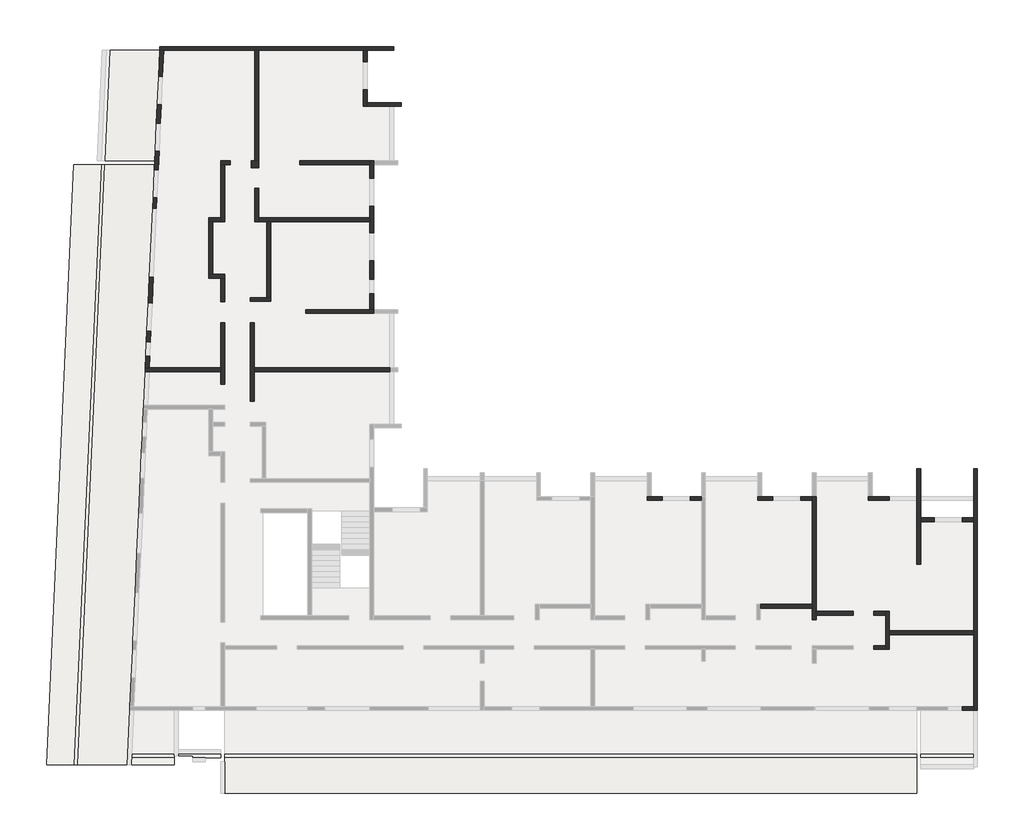
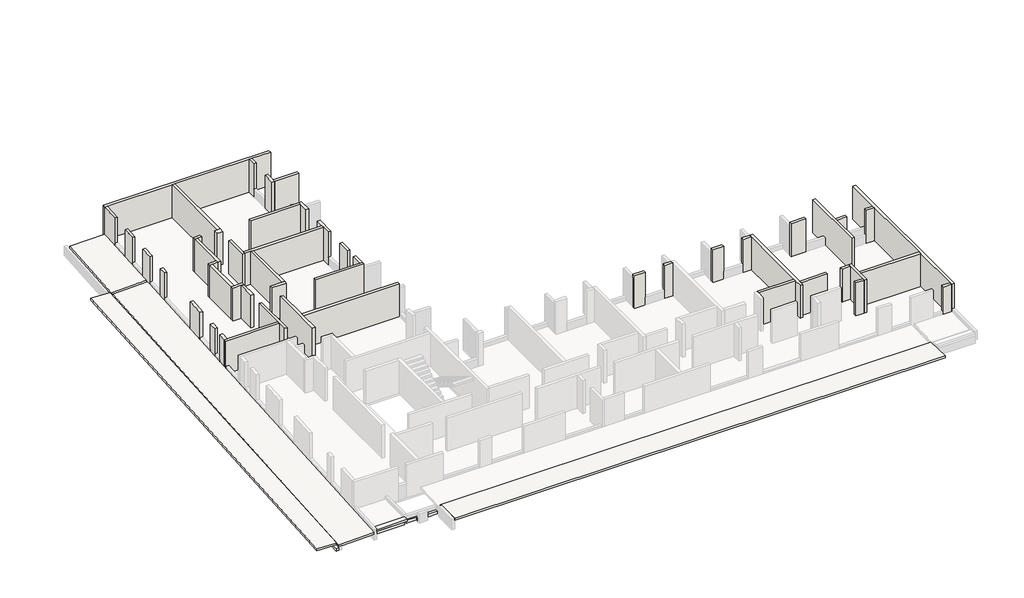
# One storey, part 2 of 4: 50 walls, 6 slabs.
"""IFC4 building model written with IfcOpenShell, lengths in millimetres."""

import ifcopenshell
import ifcopenshell.guid

model = None  # the IFC model being written
_history = None  # IfcOwnerHistory: only IFC2X3 demands one
_inside = {}  # id of a spatial element -> (the spatial element, [elements in it])
_under = {}  # id of a project, library or spatial element -> (it, [spatial elements below it])
_declared = {}  # id of a project -> (the project, [libraries it declares])
_typed = {}  # id of a type object -> (the type object, [elements of that type])
_made_of = {}  # id of a material, layer set ... -> (it, [elements and type objects made of it])


def new_model(schema):
    """Start an empty IFC model of exactly this schema.

    Asked for "IFC4X3", IfcOpenShell would pick the latest addendum, in which some entities
    have other attributes; the version numbers below select the first issue.
    IFC2X3 requires an IfcOwnerHistory on every rooted entity: one is made here for all.
    """
    global model, _history
    if schema == "IFC4X3":
        model = ifcopenshell.file(schema_version=(4, 3, 0, 0))
    else:
        model = ifcopenshell.file(schema=schema)
    _inside.clear()
    _under.clear()
    _declared.clear()
    _typed.clear()
    _made_of.clear()
    _history = None
    if model.schema == "IFC2X3":
        org = make("IfcOrganization", Name="unknown")
        user = make(
            "IfcPersonAndOrganization",
            ThePerson=make("IfcPerson", FamilyName="unknown"),
            TheOrganization=org,
        )
        app = make(
            "IfcApplication",
            ApplicationDeveloper=org,
            Version="unknown",
            ApplicationFullName="unknown",
            ApplicationIdentifier="unknown",
        )
        _history = make(
            "IfcOwnerHistory",
            OwningUser=user,
            OwningApplication=app,
            ChangeAction="ADDED",
            CreationDate=0,
        )
    return model


def make(cls, **values):
    """One entity of the class cls with the attributes given. An attribute that is None is left unset."""
    return model.create_entity(
        cls, **{name: value for name, value in values.items() if value is not None}
    )


def rooted(cls, **values):
    """An entity with a GlobalId (a new one), such as an element, a storey or a relation."""
    return make(cls, GlobalId=ifcopenshell.guid.new(), OwnerHistory=_history, **values)


def si_unit(unit_type, name, prefix=None):
    """IfcSIUnit, for example si_unit("LENGTHUNIT", "METRE", prefix="MILLI")."""
    return make("IfcSIUnit", UnitType=unit_type, Prefix=prefix, Name=name)


def assignment(units):
    """IfcUnitAssignment: the units of a project."""
    return None if units is None else make("IfcUnitAssignment", Units=units)


def point(xyz):
    """IfcCartesianPoint."""
    return None if xyz is None else make("IfcCartesianPoint", Coordinates=xyz)


def direction(xyz):
    """IfcDirection."""
    return None if xyz is None else make("IfcDirection", DirectionRatios=xyz)


def frame(location, z_axis=None, x_axis=None):
    """IfcAxis2Placement3D, a coordinate frame: its origin and axes. An axis left out is left unset."""
    return make(
        "IfcAxis2Placement3D",
        Location=point(location),
        Axis=direction(z_axis),
        RefDirection=direction(x_axis),
    )


def origin():
    """The frame at (0, 0, 0) with its axes left unset."""
    return frame((0.0, 0.0, 0.0))


def place(relative_to, where):
    """IfcLocalPlacement: puts the frame where relative to a parent placement (None: the world)."""
    return make(
        "IfcLocalPlacement", PlacementRelTo=relative_to, RelativePlacement=where
    )


def context(
    kind, dimensions, precision=None, world=None, true_north=None, identifier=None
):
    """IfcGeometricRepresentationContext, for example the 3D "Model" context."""
    return make(
        "IfcGeometricRepresentationContext",
        ContextIdentifier=identifier,
        ContextType=kind,
        CoordinateSpaceDimension=dimensions,
        Precision=precision,
        WorldCoordinateSystem=world,
        TrueNorth=true_north,
    )


def project(units=None, contexts=None):
    """IfcProject with its units and contexts."""
    return rooted(
        "IfcProject",
        Name="project",
        RepresentationContexts=contexts,
        UnitsInContext=assignment(units),
    )


def spatial(cls, under=None, at=None, **own):
    """A site, building, storey or space (cls), placed at a placement, below another one or the project."""
    s = rooted(cls, ObjectPlacement=at, **own)
    if under is not None:
        _under.setdefault(under.id(), (under, []))[1].append(s)
    return s


def polyline(points):
    """IfcPolyline through the points."""
    return make("IfcPolyline", Points=[point(p) for p in points])


def outline(outer, holes=None, kind="AREA"):
    """IfcArbitraryClosedProfileDef: a profile drawn as a closed curve; with holes, ...WithVoids."""
    if holes is None:
        return make("IfcArbitraryClosedProfileDef", ProfileType=kind, OuterCurve=outer)
    return make(
        "IfcArbitraryProfileDefWithVoids",
        ProfileType=kind,
        OuterCurve=outer,
        InnerCurves=holes,
    )


def extrude(swept, where, along, depth):
    """IfcExtrudedAreaSolid: the profile swept, set in the frame where, extruded along a direction by depth."""
    return make(
        "IfcExtrudedAreaSolid",
        SweptArea=swept,
        Position=where,
        ExtrudedDirection=direction(along),
        Depth=depth,
    )


def faces_of(points, faces, orient=None, outer=None):
    """IfcFace entities. A face is a list of loops; a loop is a list of indices into points, from 0.

    orient and outer hold one flag for each loop. By default every Orientation is true, the
    first loop of a face is its IfcFaceOuterBound and the others are IfcFaceBound.
    """
    made = []
    for i, loops in enumerate(faces):
        bounds = []
        for j, loop in enumerate(loops):
            is_outer = j == 0 if outer is None else outer[i][j]
            bounds.append(
                make(
                    "IfcFaceOuterBound" if is_outer else "IfcFaceBound",
                    Bound=make("IfcPolyLoop", Polygon=[points[k] for k in loop]),
                    Orientation=True if orient is None else orient[i][j],
                )
            )
        made.append(make("IfcFace", Bounds=bounds))
    return made


def faceted_brep(points, faces, orient=None, outer=None, voids=None):
    """IfcFacetedBrep: a solid bounded by flat faces; with voids (closed shells), ...WithVoids."""
    shared = [point(p) for p in points]
    hull = make("IfcClosedShell", CfsFaces=faces_of(shared, faces, orient, outer))
    if voids is None:
        return make("IfcFacetedBrep", Outer=hull)
    return make(
        "IfcFacetedBrepWithVoids",
        Outer=hull,
        Voids=[
            make(cls, CfsFaces=faces_of(shared, fs, o, b)) for cls, fs, o, b in voids
        ],
    )


def shape(context_of_items, identifier, shape_type, items):
    """IfcShapeRepresentation: the items that make up one representation, for example the "Body"."""
    return make(
        "IfcShapeRepresentation",
        ContextOfItems=context_of_items,
        RepresentationIdentifier=identifier,
        RepresentationType=shape_type,
        Items=items,
    )


def made_of(thing, what):
    """Note that an element or type object is made of a material, layer set ...; save() writes the relation."""
    if what is not None:
        _made_of.setdefault(what.id(), (what, []))[1].append(thing)
    return thing


def element(
    cls,
    number,
    at=None,
    inside=None,
    cuts=None,
    type_object=None,
    material=None,
    context=None,
    identifier="Body",
    shape_type=None,
    held_by="IfcProductDefinitionShape",
    body=None,
    shapes=None,
    **own,
):
    """One element of the class cls, such as IfcWall. Its Tag is "e" and its number.

    at: its placement. inside: the storey or other place that contains it. cuts: it is an
    opening in that element (IfcRelVoidsElement). A single representation is given by context,
    identifier, shape_type and body (its items); several are given by shapes. held_by: the class
    of the entity that holds the representations. save() writes the other relations.
    """
    e = rooted(cls, Tag="e%d" % number, ObjectPlacement=at, **own)
    if body is not None:
        shapes = [shape(context, identifier, shape_type, body)]
    if shapes is not None:
        e.Representation = make(held_by, Representations=shapes)
    if inside is not None:
        _inside.setdefault(inside.id(), (inside, []))[1].append(e)
    if cuts is not None:
        rooted(
            "IfcRelVoidsElement", RelatingBuildingElement=cuts, RelatedOpeningElement=e
        )
    if type_object is not None:
        _typed.setdefault(type_object.id(), (type_object, []))[1].append(e)
    return made_of(e, material)


def aggregate(whole, parts):
    """IfcRelAggregates: a whole, such as a stair, and the parts it consists of."""
    return rooted("IfcRelAggregates", RelatingObject=whole, RelatedObjects=parts)


def save(model, path):
    """Write the relations noted so far, then the file.

    IfcRelAggregates (storeys below a building ...), IfcRelContainedInSpatialStructure (elements
    in a storey), IfcRelDefinesByType, IfcRelAssociatesMaterial and IfcRelDeclares: one each for
    every whole, place, type object, material and project.
    """
    for whole, parts in _under.values():
        aggregate(whole, parts)
    for where, things in _inside.values():
        rooted(
            "IfcRelContainedInSpatialStructure",
            RelatedElements=things,
            RelatingStructure=where,
        )
    for kind, things in _typed.values():
        rooted("IfcRelDefinesByType", RelatedObjects=things, RelatingType=kind)
    for what, things in _made_of.values():
        rooted("IfcRelAssociatesMaterial", RelatedObjects=things, RelatingMaterial=what)
    for by, libraries in _declared.values():
        rooted("IfcRelDeclares", RelatingContext=by, RelatedDefinitions=libraries)
    model.write(path)


model = new_model("IFC4")

# Units and contexts
model_context = context("Model", 3, world=origin())
ifc_project = project(units=[si_unit("LENGTHUNIT", "METRE", prefix="MILLI")], contexts=[model_context])

# Site, building, storey
site = spatial("IfcSite", under=ifc_project)
building = spatial("IfcBuilding", under=site)
storey = spatial("IfcBuildingStorey", under=building, Elevation=17350.0)

# Slabs
placement = place(None, origin())
element("IfcSlab", 1, ObjectType="LHA15", at=placement, inside=storey, context=model_context, shape_type="Brep", body=[
    faceted_brep([(-43088.4832977, 11650.9327501, 17793.8824341), (-44488.8981404, -19219.0672499, 17793.8824341), (-44689.1038321, -19219.0672499, 17801.8024341), (-45890.3379827, -19219.0672499, 17849.3224341), (-44489.92314, 11650.9327501, 17849.3224341), (-43288.6889895, 11650.9327501, 17801.8024341), (-43088.4832977, 11650.9327501, 17944.0), (-43113.7617942, 11650.9327501, 17945.0), (-44489.92314, 11650.9327501, 17999.44), (-45890.3379827, -19219.0672499, 17999.44), (-44514.1766368, -19219.0672499, 17945.0), (-44488.8981404, -19219.0672499, 17944.0)], [[[0, 1, 2, 3, 4, 5]], [[6, 7, 8, 9, 10, 11]], [[1, 0, 6, 11]], [[3, 2, 1, 11, 10, 9]], [[4, 3, 9, 8]], [[0, 5, 4, 8, 7, 6]]]),
])
element("IfcSlab", 2, ObjectType="LHA15", at=placement, inside=storey, context=model_context, shape_type="Brep", body=[
    faceted_brep([(-41535.864187, -19219.0672499, 17789.680048), (-41528.1521519, -19049.0672499, 17782.880048), (-41519.0791695, -18849.0672499, 17774.880048), (-39315.6912908, -18849.0672499, 17774.880048), (-39315.6912908, -19049.0672499, 17782.880048), (-39315.6912908, -19219.0672499, 17789.680048), (-41535.864187, -19219.0672499, 17939.8), (-39315.6912908, -19219.0672499, 17939.8), (-39315.6912908, -18849.0672499, 17925.0), (-41519.0791695, -18849.0672499, 17925.0)], [[[0, 1, 2, 3, 4, 5]], [[6, 7, 8, 9]], [[2, 1, 0, 6, 9]], [[3, 2, 9, 8]], [[5, 4, 3, 8, 7]], [[0, 5, 7, 6]]]),
])
element("IfcSlab", 3, ObjectType="LHA15", at=placement, inside=storey, context=model_context, shape_type="Brep", body=[
    faceted_brep([(-40335.6550361, 11650.9327501, 17650.970003), (-41609.0481243, -16419.0672499, 17650.970003), (-41736.0698788, -19219.0672499, 17650.970003), (-44088.4867569, -19219.0672499, 17603.970003), (-44288.6924486, -19219.0672499, 17599.970003), (-42888.277606, 11650.9327501, 17599.970003), (-42688.0719142, 11650.9327501, 17603.970003), (-40335.6550361, 11650.9327501, 17801.0), (-42888.277606, 11650.9327501, 17750.0), (-44288.6924486, -19219.0672499, 17750.0), (-41736.0698788, -19219.0672499, 17801.0), (-41609.0481243, -16419.0672499, 17801.0)], [[[0, 1, 2, 3, 4, 5, 6]], [[7, 8, 9, 10, 11]], [[1, 0, 7, 11]], [[2, 1, 11, 10]], [[4, 3, 2, 10, 9]], [[5, 4, 9, 8]], [[0, 6, 5, 8, 7]]]),
    faceted_brep([(-42621.5319217, 17530.9327501, 17599.970003), (-42421.3262299, 17530.9327501, 17603.970003), (-40068.9093518, 17530.9327501, 17650.970003), (-40326.5820536, 11850.9327501, 17650.970003), (-42678.9989318, 11850.9327501, 17603.970003), (-42879.2046235, 11850.9327501, 17599.970003), (-42621.5319217, 17530.9327501, 17750.0), (-42879.2046235, 11850.9327501, 17750.0), (-40326.5820536, 11850.9327501, 17801.0), (-40068.9093518, 17530.9327501, 17801.0)], [[[0, 1, 2, 3, 4, 5]], [[6, 7, 8, 9]], [[2, 1, 0, 6, 9]], [[3, 2, 9, 8]], [[5, 4, 3, 8, 7]], [[0, 5, 7, 6]]]),
])
element("IfcSlab", 4, ObjectType="LHA15", at=placement, inside=storey, context=model_context, shape_type="SweptSolid", body=[
    extrude(outline(polyline([(-18849.0672499, 17774.8739779), (-20669.0672499, 17849.4939779), (-20669.0672499, 17999.62), (-18849.0672499, 17925.0), (-18849.0672499, 17774.8739779)])), frame((-36735.6912908, 0.0, 0.0), z_axis=(1.0, 0.0, 0.0), x_axis=(0.0, 1.0, 0.0)), (0.0, 0.0, 1.0), 35610.0),
])
element("IfcSlab", 5, ObjectType="LHA20", at=placement, inside=storey, context=model_context, shape_type="Brep", body=[
    faceted_brep([(-43088.4832977, 11650.9327501, 17300.0), (-42888.277606, 11650.9327501, 17300.0), (-43020.7431499, 8730.9327501, 17300.0), (-43047.054799, 8150.9327501, 17300.0), (-43112.3802727, 6710.9327501, 17300.0), (-43135.6912908, 6197.0770657, 17300.0), (-43226.2462026, 4200.9327501, 17300.0), (-43235.3191851, 4000.9327501, 17300.0), (-44288.6924486, -19219.0672499, 17300.0), (-44488.8981404, -19219.0672499, 17300.0), (-43829.7459647, -4689.0672499, 17300.0), (-43820.6729822, -4489.0672499, 17300.0), (-43571.6196137, 1000.9327501, 17300.0), (-43562.5466312, 1200.9327501, 17300.0), (-43435.5248768, 4000.9327501, 17300.0), (-43426.4518943, 4200.9327501, 17300.0), (-43088.4832977, 11650.9327501, 17500.0), (-44488.8981404, -19219.0672499, 17500.0), (-44288.6924486, -19219.0672499, 17500.0), (-42888.277606, 11650.9327501, 17500.0)], [[[0, 1, 2, 3, 4, 5, 6, 7, 8, 9, 10, 11, 12, 13, 14, 15]], [[16, 17, 18, 19]], [[1, 0, 16, 19]], [[8, 7, 6, 5, 4, 3, 2, 1, 19, 18]], [[9, 8, 18, 17]], [[0, 15, 14, 13, 12, 11, 10, 9, 17, 16]]]),
])
element("IfcSlab", 6, ObjectType="LHA20", at=placement, inside=storey, context=model_context, shape_type="Brep", body=[
    faceted_brep([(-39115.6912908, -18649.0672499, 17300.0), (-36935.6912908, -18649.0672499, 17300.0), (-36935.6912908, -18849.0672499, 17300.0), (-38375.6912908, -18849.0672499, 17300.0), (-38375.6912908, -18749.0672499, 17300.0), (-39115.6912908, -18749.0672499, 17300.0), (-39115.6912908, -18649.0672499, 17500.0), (-39115.6912908, -18749.0672499, 17500.0), (-38375.6912908, -18749.0672499, 17500.0), (-38375.6912908, -18849.0672499, 17500.0), (-36935.6912908, -18849.0672499, 17500.0), (-36935.6912908, -18649.0672499, 17500.0), (-39115.6912908, -18649.0672499, 17325.0), (-36935.6912908, -18649.0672499, 17325.0)], [[[0, 1, 2, 3, 4, 5]], [[6, 7, 8, 9, 10, 11]], [[1, 0, 12, 6, 11, 13]], [[2, 1, 13, 11, 10]], [[3, 2, 10, 9]], [[4, 3, 9, 8]], [[5, 4, 8, 7]], [[0, 5, 7, 6, 12]]]),
    faceted_brep([(-1125.6912908, -18649.0672499, 17300.0), (-1125.6912908, -18849.0672499, 17300.0), (-6305.6912908, -18849.0672499, 17300.0), (-6505.6912908, -18849.0672499, 17300.0), (-11995.6912908, -18849.0672499, 17300.0), (-12195.6912908, -18849.0672499, 17300.0), (-17685.6912908, -18849.0672499, 17300.0), (-17885.6912908, -18849.0672499, 17300.0), (-23375.6912908, -18849.0672499, 17300.0), (-23575.6912908, -18849.0672499, 17300.0), (-29065.6912908, -18849.0672499, 17300.0), (-29265.6912908, -18849.0672499, 17300.0), (-31985.6912908, -18849.0672499, 17300.0), (-32185.6912908, -18849.0672499, 17300.0), (-36735.6912908, -18849.0672499, 17300.0), (-36735.6912908, -18649.0672499, 17300.0), (-32185.6912908, -18649.0672499, 17300.0), (-31985.6912908, -18649.0672499, 17300.0), (-29265.6912908, -18649.0672499, 17300.0), (-29065.6912908, -18649.0672499, 17300.0), (-23575.6912908, -18649.0672499, 17300.0), (-23375.6912908, -18649.0672499, 17300.0), (-17885.6912908, -18649.0672499, 17300.0), (-17685.6912908, -18649.0672499, 17300.0), (-12195.6912908, -18649.0672499, 17300.0), (-11995.6912908, -18649.0672499, 17300.0), (-6505.6912908, -18649.0672499, 17300.0), (-6305.6912908, -18649.0672499, 17300.0), (-1125.6912908, -18649.0672499, 17500.0), (-36735.6912908, -18649.0672499, 17500.0), (-36735.6912908, -18849.0672499, 17500.0), (-1125.6912908, -18849.0672499, 17500.0)], [[[0, 1, 2, 3, 4, 5, 6, 7, 8, 9, 10, 11, 12, 13, 14, 15, 16, 17, 18, 19, 20, 21, 22, 23, 24, 25, 26, 27]], [[28, 29, 30, 31]], [[1, 0, 28, 31]], [[14, 13, 12, 11, 10, 9, 8, 7, 6, 5, 4, 3, 2, 1, 31, 30]], [[15, 14, 30, 29]], [[0, 27, 26, 25, 24, 23, 22, 21, 20, 19, 18, 17, 16, 15, 29, 28]]]),
    faceted_brep([(1794.3087092, -18649.0672499, 17300.0), (1794.3087092, -18849.0672499, 17300.0), (-925.6912908, -18849.0672499, 17300.0), (-925.6912908, -18649.0672499, 17300.0), (1794.3087092, -18649.0672499, 17500.0), (-925.6912908, -18649.0672499, 17500.0), (-925.6912908, -18849.0672499, 17500.0), (1794.3087092, -18849.0672499, 17500.0)], [[[0, 1, 2, 3]], [[4, 5, 6, 7]], [[1, 0, 4, 7]], [[2, 1, 7, 6]], [[3, 2, 6, 5]], [[0, 3, 5, 4]]]),
    faceted_brep([(-41510.006187, -18649.0672499, 17300.0), (-39315.6912908, -18649.0672499, 17300.0), (-39315.6912908, -18849.0672499, 17300.0), (-41519.0791695, -18849.0672499, 17300.0), (-41510.006187, -18649.0672499, 17500.0), (-41519.0791695, -18849.0672499, 17500.0), (-39315.6912908, -18849.0672499, 17500.0), (-39315.6912908, -18649.0672499, 17500.0)], [[[0, 1, 2, 3]], [[4, 5, 6, 7]], [[1, 0, 4, 7]], [[2, 1, 7, 6]], [[3, 2, 6, 5]], [[0, 3, 5, 4]]]),
])

# Walls
element("IfcWall", 7, ObjectType="MHA20", at=placement, inside=storey, context=model_context, shape_type="Brep", body=[
    faceted_brep([(-2535.6912908, -13279.0672499, 17350.0), (-2535.6912908, -12519.0672499, 17350.0), (-2535.6912908, -12319.0672499, 17350.0), (-2535.6912908, -11329.0672499, 17350.0), (-2535.6912908, -11329.0672499, 19880.0), (-2535.6912908, -12319.0672499, 19880.0), (-2535.6912908, -12519.0672499, 19880.0), (-2535.6912908, -13279.0672499, 19880.0), (-2735.6912908, -13279.0672499, 17350.0), (-2735.6912908, -13279.0672499, 19880.0), (-2735.6912908, -13079.0672499, 19880.0), (-2735.6912908, -11529.0672499, 19880.0), (-2735.6912908, -11329.0672499, 19880.0), (-2735.6912908, -11329.0672499, 17350.0), (-2735.6912908, -11529.0672499, 17350.0), (-2735.6912908, -13079.0672499, 17350.0)], [[[0, 1, 2, 3, 4, 5, 6, 7]], [[8, 9, 10, 11, 12, 13, 14, 15]], [[3, 2, 1, 0, 8, 15, 14, 13]], [[7, 6, 5, 4, 12, 11, 10, 9]], [[4, 3, 13, 12]], [[0, 7, 9, 8]]]),
])
element("IfcWall", 8, ObjectType="MHA20", at=placement, inside=storey, context=model_context, shape_type="SweptSolid", body=[
    extrude(outline(polyline([(1794.3087092, -12519.0672499), (-2535.6912908, -12519.0672499), (-2535.6912908, -12319.0672499), (1794.3087092, -12319.0672499), (1794.3087092, -12519.0672499)])), frame((0.0, 0.0, 17350.0), z_axis=(0.0, 0.0, 1.0), x_axis=(1.0, 0.0, 0.0)), (0.0, 0.0, 1.0), 2530.0),
])
element("IfcWall", 9, ObjectType="MHA20", at=placement, inside=storey, context=model_context, shape_type="Brep", body=[
    faceted_brep([(1994.3087092, -16419.0672499, 17350.0), (1994.3087092, -3999.0672499, 17350.0), (1994.3087092, -3999.0672499, 19880.0), (1994.3087092, -16419.0672499, 19880.0), (1794.3087092, -16419.0672499, 17350.0), (1794.3087092, -16419.0672499, 19880.0), (1794.3087092, -16219.0672499, 19880.0), (1794.3087092, -12519.0672499, 19880.0), (1794.3087092, -12319.0672499, 19880.0), (1794.3087092, -6719.0672499, 19880.0), (1794.3087092, -6519.0672499, 19880.0), (1794.3087092, -3999.0672499, 19880.0), (1794.3087092, -3999.0672499, 17350.0), (1794.3087092, -6519.0672499, 17350.0), (1794.3087092, -6719.0672499, 17350.0), (1794.3087092, -12319.0672499, 17350.0), (1794.3087092, -12519.0672499, 17350.0), (1794.3087092, -16219.0672499, 17350.0)], [[[0, 1, 2, 3]], [[4, 5, 6, 7, 8, 9, 10, 11, 12, 13, 14, 15, 16, 17]], [[1, 0, 4, 17, 16, 15, 14, 13, 12]], [[2, 1, 12, 11]], [[3, 2, 11, 10, 9, 8, 7, 6, 5]], [[0, 3, 5, 4]]]),
])
element("IfcWall", 10, ObjectType="MHA20", at=placement, inside=storey, context=model_context, shape_type="SweptSolid", body=[
    extrude(outline(polyline([(-2735.6912908, -11529.0672499), (-3335.6912908, -11529.0672499), (-3335.6912908, -11329.0672499), (-2735.6912908, -11329.0672499), (-2735.6912908, -11529.0672499)])), frame((0.0, 0.0, 17350.0), z_axis=(0.0, 0.0, 1.0), x_axis=(1.0, 0.0, 0.0)), (0.0, 0.0, 1.0), 2530.0),
])
element("IfcWall", 11, ObjectType="MHA20", at=placement, inside=storey, context=model_context, shape_type="SweptSolid", body=[
    extrude(outline(polyline([(-2735.6912908, -13279.0672499), (-3335.6912908, -13279.0672499), (-3335.6912908, -13079.0672499), (-2735.6912908, -13079.0672499), (-2735.6912908, -13279.0672499)])), frame((0.0, 0.0, 17350.0), z_axis=(0.0, 0.0, 1.0), x_axis=(1.0, 0.0, 0.0)), (0.0, 0.0, 1.0), 2530.0),
])
element("IfcWall", 12, ObjectType="MHA20", at=placement, inside=storey, context=model_context, shape_type="SweptSolid", body=[
    extrude(outline(polyline([(-6305.6912908, -11329.0672499), (-4395.6912908, -11329.0672499), (-4395.6912908, -11529.0672499), (-6305.6912908, -11529.0672499), (-6305.6912908, -11329.0672499)])), frame((0.0, 0.0, 17350.0), z_axis=(0.0, 0.0, 1.0), x_axis=(1.0, 0.0, 0.0)), (0.0, 0.0, 1.0), 2530.0),
])
element("IfcWall", 13, ObjectType="MHA20", at=placement, inside=storey, context=model_context, shape_type="Brep", body=[
    faceted_brep([(-6305.6912908, -11759.0672499, 17350.0), (-6305.6912908, -11529.0672499, 17350.0), (-6305.6912908, -11329.0672499, 17350.0), (-6305.6912908, -5419.0672499, 17350.0), (-6305.6912908, -5419.0672499, 19580.0), (-6305.6912908, -5419.0672499, 19880.0), (-6305.6912908, -11329.0672499, 19880.0), (-6305.6912908, -11529.0672499, 19880.0), (-6305.6912908, -11759.0672499, 19880.0), (-6505.6912908, -11759.0672499, 17350.0), (-6505.6912908, -11759.0672499, 19880.0), (-6505.6912908, -11159.0672499, 19880.0), (-6505.6912908, -10959.0672499, 19880.0), (-6505.6912908, -5619.0672499, 19880.0), (-6505.6912908, -5419.0672499, 19880.0), (-6505.6912908, -5419.0672499, 19580.0), (-6505.6912908, -5419.0672499, 17350.0), (-6505.6912908, -5619.0672499, 17350.0), (-6505.6912908, -10959.0672499, 17350.0), (-6505.6912908, -11159.0672499, 17350.0)], [[[0, 1, 2, 3, 4, 5, 6, 7, 8]], [[9, 10, 11, 12, 13, 14, 15, 16, 17, 18, 19]], [[3, 2, 1, 0, 9, 19, 18, 17, 16]], [[8, 7, 6, 5, 14, 13, 12, 11, 10]], [[0, 8, 10, 9]], [[5, 4, 3, 16, 15, 14]]]),
])
element("IfcWall", 14, ObjectType="MHA20", at=placement, inside=storey, context=model_context, shape_type="SweptSolid", body=[
    extrude(outline(polyline([(-225.6912908, -6719.0672499), (-925.6912908, -6719.0672499), (-925.6912908, -6519.0672499), (-225.6912908, -6519.0672499), (-225.6912908, -6719.0672499)])), frame((0.0, 0.0, 17350.0), z_axis=(0.0, 0.0, 1.0), x_axis=(1.0, 0.0, 0.0)), (0.0, 0.0, 1.0), 2530.0),
])
element("IfcWall", 15, ObjectType="MHA20", at=placement, inside=storey, context=model_context, shape_type="SweptSolid", body=[
    extrude(outline(polyline([(1794.3087092, -6719.0672499), (1214.3087092, -6719.0672499), (1214.3087092, -6519.0672499), (1794.3087092, -6519.0672499), (1794.3087092, -6719.0672499)])), frame((0.0, 0.0, 17350.0), z_axis=(0.0, 0.0, 1.0), x_axis=(1.0, 0.0, 0.0)), (0.0, 0.0, 1.0), 2530.0),
])
element("IfcWall", 16, ObjectType="MHA20", at=placement, inside=storey, context=model_context, shape_type="Brep", body=[
    faceted_brep([(-1125.6912908, -3999.0672499, 17350.0), (-1125.6912908, -5419.0672499, 17350.0), (-1125.6912908, -5619.0672499, 17350.0), (-1125.6912908, -8899.0672499, 17350.0), (-1125.6912908, -8899.0672499, 19880.0), (-1125.6912908, -3999.0672499, 19880.0), (-925.6912908, -3999.0672499, 17350.0), (-925.6912908, -3999.0672499, 19880.0), (-925.6912908, -6519.0672499, 19880.0), (-925.6912908, -6719.0672499, 19880.0), (-925.6912908, -8899.0672499, 19880.0), (-925.6912908, -8899.0672499, 17350.0), (-925.6912908, -6719.0672499, 17350.0), (-925.6912908, -6519.0672499, 17350.0)], [[[0, 1, 2, 3, 4, 5]], [[6, 7, 8, 9, 10, 11, 12, 13]], [[3, 2, 1, 0, 6, 13, 12, 11]], [[4, 3, 11, 10]], [[5, 4, 10, 9, 8, 7]], [[0, 5, 7, 6]]]),
])
element("IfcWall", 17, ObjectType="MHA20", at=placement, inside=storey, context=model_context, shape_type="Brep", body=[
    faceted_brep([(-3615.6912908, -5619.0672499, 17350.0), (-2545.6912908, -5619.0672499, 17350.0), (-2545.6912908, -5619.0672499, 17950.0), (-2545.6912908, -5619.0672499, 19880.0), (-3615.6912908, -5619.0672499, 19880.0), (-3615.6912908, -5419.0672499, 17350.0), (-3615.6912908, -5419.0672499, 19580.0), (-3615.6912908, -5419.0672499, 19880.0), (-2545.6912908, -5419.0672499, 19880.0), (-2545.6912908, -5419.0672499, 17950.0), (-2545.6912908, -5419.0672499, 17350.0), (-3415.6912908, -5419.0672499, 17350.0)], [[[0, 1, 2, 3, 4]], [[5, 6, 7, 8, 9, 10, 11]], [[1, 0, 5, 11, 10]], [[3, 2, 1, 10, 9, 8]], [[4, 3, 8, 7]], [[0, 4, 7, 6, 5]]]),
])
element("IfcWall", 18, ObjectType="MHA20", at=placement, inside=storey, context=model_context, shape_type="Brep", body=[
    faceted_brep([(-9305.6912908, -5619.0672499, 17350.0), (-8525.6912908, -5619.0672499, 17350.0), (-8525.6912908, -5619.0672499, 17950.0), (-8525.6912908, -5619.0672499, 19880.0), (-9305.6912908, -5619.0672499, 19880.0), (-9305.6912908, -5419.0672499, 17350.0), (-9305.6912908, -5419.0672499, 19580.0), (-9305.6912908, -5419.0672499, 19880.0), (-8525.6912908, -5419.0672499, 19880.0), (-8525.6912908, -5419.0672499, 17950.0), (-8525.6912908, -5419.0672499, 17350.0), (-9105.6912908, -5419.0672499, 17350.0)], [[[0, 1, 2, 3, 4]], [[5, 6, 7, 8, 9, 10, 11]], [[1, 0, 5, 11, 10]], [[3, 2, 1, 10, 9, 8]], [[4, 3, 8, 7]], [[0, 4, 7, 6, 5]]]),
])
element("IfcWall", 19, ObjectType="MHA20", at=placement, inside=storey, context=model_context, shape_type="Brep", body=[
    faceted_brep([(-14995.6912908, -5619.0672499, 17350.0), (-14215.6912908, -5619.0672499, 17350.0), (-14215.6912908, -5619.0672499, 17950.0), (-14215.6912908, -5619.0672499, 19880.0), (-14995.6912908, -5619.0672499, 19880.0), (-14995.6912908, -5419.0672499, 17350.0), (-14995.6912908, -5419.0672499, 19580.0), (-14995.6912908, -5419.0672499, 19880.0), (-14215.6912908, -5419.0672499, 19880.0), (-14215.6912908, -5419.0672499, 17950.0), (-14215.6912908, -5419.0672499, 17350.0), (-14795.6912908, -5419.0672499, 17350.0)], [[[0, 1, 2, 3, 4]], [[5, 6, 7, 8, 9, 10, 11]], [[1, 0, 5, 11, 10]], [[3, 2, 1, 10, 9, 8]], [[4, 3, 8, 7]], [[0, 4, 7, 6, 5]]]),
])
element("IfcWall", 20, ObjectType="MHA20", at=placement, inside=storey, context=model_context, shape_type="Brep", body=[
    faceted_brep([(-12775.6912908, -5619.0672499, 17350.0), (-12195.6912908, -5619.0672499, 17350.0), (-12195.6912908, -5619.0672499, 19880.0), (-12775.6912908, -5619.0672499, 19880.0), (-12775.6912908, -5619.0672499, 17950.0), (-12775.6912908, -5419.0672499, 17350.0), (-12775.6912908, -5419.0672499, 17950.0), (-12775.6912908, -5419.0672499, 19880.0), (-12195.6912908, -5419.0672499, 19880.0), (-12195.6912908, -5419.0672499, 17350.0)], [[[0, 1, 2, 3, 4]], [[5, 6, 7, 8, 9]], [[1, 0, 5, 9]], [[3, 2, 8, 7]], [[0, 4, 3, 7, 6, 5]], [[2, 1, 9, 8]]]),
])
element("IfcWall", 21, ObjectType="MHA20", at=placement, inside=storey, context=model_context, shape_type="SweptSolid", body=[
    extrude(outline(polyline([(-6505.6912908, -11159.0672499), (-9170.6912908, -11159.0672499), (-9170.6912908, -10959.0672499), (-6505.6912908, -10959.0672499), (-6505.6912908, -11159.0672499)])), frame((0.0, 0.0, 17350.0), z_axis=(0.0, 0.0, 1.0), x_axis=(1.0, 0.0, 0.0)), (0.0, 0.0, 1.0), 2530.0),
])
element("IfcWall", 22, ObjectType="MHA20", at=placement, inside=storey, context=model_context, shape_type="Brep", body=[
    faceted_brep([(-35205.6912908, -509.0672499, 17350.0), (-35205.6912908, 1000.9327501, 17350.0), (-35205.6912908, 1200.9327501, 17350.0), (-35205.6912908, 3530.9327501, 17350.0), (-35205.6912908, 3530.9327501, 19880.0), (-35205.6912908, 1200.9327501, 19880.0), (-35205.6912908, 1000.9327501, 19880.0), (-35205.6912908, -509.0672499, 19880.0), (-35405.6912908, -509.0672499, 17350.0), (-35405.6912908, -509.0672499, 19880.0), (-35405.6912908, 3530.9327501, 19880.0), (-35405.6912908, 3530.9327501, 17350.0)], [[[0, 1, 2, 3, 4, 5, 6, 7]], [[8, 9, 10, 11]], [[3, 2, 1, 0, 8, 11]], [[4, 3, 11, 10]], [[7, 6, 5, 4, 10, 9]], [[0, 7, 9, 8]]]),
])
element("IfcWall", 23, ObjectType="MHA20", at=placement, inside=storey, context=model_context, shape_type="Brep", body=[
    faceted_brep([(-29395.6912908, 16950.9327501, 17350.0), (-29395.6912908, 17530.9327501, 17350.0), (-29395.6912908, 17530.9327501, 19880.0), (-29395.6912908, 16950.9327501, 19880.0), (-29395.6912908, 16950.9327501, 17950.0), (-29595.6912908, 16950.9327501, 17350.0), (-29595.6912908, 16950.9327501, 17950.0), (-29595.6912908, 16950.9327501, 19880.0), (-29595.6912908, 17530.9327501, 19880.0), (-29595.6912908, 17530.9327501, 17350.0)], [[[0, 1, 2, 3, 4]], [[5, 6, 7, 8, 9]], [[1, 0, 5, 9]], [[3, 2, 8, 7]], [[0, 4, 3, 7, 6, 5]], [[2, 1, 9, 8]]]),
])
element("IfcWall", 24, ObjectType="MHA20", at=placement, inside=storey, context=model_context, shape_type="Brep", body=[
    faceted_brep([(-40818.7913521, 1000.9327501, 17350.0), (-36935.6912908, 1000.9327501, 17350.0), (-36935.6912908, 1000.9327501, 19880.0), (-40818.7913521, 1000.9327501, 19880.0), (-40809.7183696, 1200.9327501, 17350.0), (-40809.7183696, 1200.9327501, 19880.0), (-40609.5126779, 1200.9327501, 19880.0), (-36935.6912908, 1200.9327501, 19880.0), (-36935.6912908, 1200.9327501, 17350.0), (-40609.5126779, 1200.9327501, 17350.0)], [[[0, 1, 2, 3]], [[4, 5, 6, 7, 8, 9]], [[1, 0, 4, 9, 8]], [[3, 2, 7, 6, 5]], [[2, 1, 8, 7]], [[0, 3, 5, 4]]]),
])
element("IfcWall", 25, ObjectType="MHA20", at=placement, inside=storey, context=model_context, shape_type="Brep", body=[
    faceted_brep([(-35205.6912908, 1000.9327501, 17350.0), (-28235.6912908, 1000.9327501, 17350.0), (-28235.6912908, 1000.9327501, 19580.0), (-28235.6912908, 1000.9327501, 19880.0), (-35205.6912908, 1000.9327501, 19880.0), (-35205.6912908, 1200.9327501, 17350.0), (-35205.6912908, 1200.9327501, 19880.0), (-28235.6912908, 1200.9327501, 19880.0), (-28235.6912908, 1200.9327501, 19580.0), (-28235.6912908, 1200.9327501, 17350.0)], [[[0, 1, 2, 3, 4]], [[5, 6, 7, 8, 9]], [[1, 0, 5, 9]], [[3, 2, 1, 9, 8, 7]], [[4, 3, 7, 6]], [[0, 4, 6, 5]]]),
])
element("IfcWall", 26, ObjectType="MHA20", at=placement, inside=storey, context=model_context, shape_type="Brep", body=[
    faceted_brep([(-35405.6912908, 4620.9327501, 17350.0), (-34355.6912908, 4620.9327501, 17350.0), (-34355.6912908, 4620.9327501, 19880.0), (-35405.6912908, 4620.9327501, 19880.0), (-35405.6912908, 4820.9327501, 17350.0), (-35405.6912908, 4820.9327501, 19880.0), (-34555.6912908, 4820.9327501, 19880.0), (-34355.6912908, 4820.9327501, 19880.0), (-34355.6912908, 4820.9327501, 17350.0), (-34555.6912908, 4820.9327501, 17350.0)], [[[0, 1, 2, 3]], [[4, 5, 6, 7, 8, 9]], [[1, 0, 4, 9, 8]], [[3, 2, 7, 6, 5]], [[0, 3, 5, 4]], [[2, 1, 8, 7]]]),
])
element("IfcWall", 27, ObjectType="MHA20", at=placement, inside=storey, context=model_context, shape_type="SweptSolid", body=[
    extrude(outline(polyline([(-34355.6912908, 8730.9327501), (-34355.6912908, 4820.9327501), (-34555.6912908, 4820.9327501), (-34555.6912908, 8730.9327501), (-34355.6912908, 8730.9327501)])), frame((0.0, 0.0, 17350.0), z_axis=(0.0, 0.0, 1.0), x_axis=(1.0, 0.0, 0.0)), (0.0, 0.0, 1.0), 2530.0),
])
element("IfcWall", 28, ObjectType="MHA20", at=placement, inside=storey, context=model_context, shape_type="Brep", body=[
    faceted_brep([(-29065.6912908, 4200.9327501, 17350.0), (-29065.6912908, 5020.9327501, 17350.0), (-29065.6912908, 5020.9327501, 17950.0), (-29065.6912908, 5020.9327501, 19880.0), (-29065.6912908, 4200.9327501, 19880.0), (-29265.6912908, 4200.9327501, 17350.0), (-29265.6912908, 4200.9327501, 19880.0), (-29265.6912908, 5020.9327501, 19880.0), (-29265.6912908, 5020.9327501, 17950.0), (-29265.6912908, 5020.9327501, 17350.0)], [[[0, 1, 2, 3, 4]], [[5, 6, 7, 8, 9]], [[1, 0, 5, 9]], [[3, 2, 1, 9, 8, 7]], [[4, 3, 7, 6]], [[0, 4, 6, 5]]]),
])
element("IfcWall", 29, ObjectType="MHA20", at=placement, inside=storey, context=model_context, shape_type="Brep", body=[
    faceted_brep([(-29065.6912908, 5760.9327501, 17350.0), (-29065.6912908, 6710.9327501, 17350.0), (-29065.6912908, 6710.9327501, 17950.0), (-29065.6912908, 6710.9327501, 19880.0), (-29065.6912908, 5760.9327501, 19880.0), (-29065.6912908, 5760.9327501, 17950.0), (-29265.6912908, 5760.9327501, 17350.0), (-29265.6912908, 5760.9327501, 17950.0), (-29265.6912908, 5760.9327501, 19880.0), (-29265.6912908, 6710.9327501, 19880.0), (-29265.6912908, 6710.9327501, 17950.0), (-29265.6912908, 6710.9327501, 17350.0)], [[[0, 1, 2, 3, 4, 5]], [[6, 7, 8, 9, 10, 11]], [[1, 0, 6, 11]], [[3, 2, 1, 11, 10, 9]], [[4, 3, 9, 8]], [[0, 5, 4, 8, 7, 6]]]),
])
element("IfcWall", 30, ObjectType="MHA20", at=placement, inside=storey, context=model_context, shape_type="Brep", body=[
    faceted_brep([(-29065.6912908, 8150.9327501, 17350.0), (-29065.6912908, 9510.9327501, 17350.0), (-29065.6912908, 9510.9327501, 19880.0), (-29065.6912908, 8150.9327501, 19880.0), (-29065.6912908, 8150.9327501, 17950.0), (-29265.6912908, 8150.9327501, 17350.0), (-29265.6912908, 8150.9327501, 17950.0), (-29265.6912908, 8150.9327501, 19880.0), (-29265.6912908, 8730.9327501, 19880.0), (-29265.6912908, 8930.9327501, 19880.0), (-29265.6912908, 9510.9327501, 19880.0), (-29265.6912908, 9510.9327501, 17350.0), (-29265.6912908, 8930.9327501, 17350.0), (-29265.6912908, 8730.9327501, 17350.0)], [[[0, 1, 2, 3, 4]], [[5, 6, 7, 8, 9, 10, 11, 12, 13]], [[1, 0, 5, 13, 12, 11]], [[2, 1, 11, 10]], [[3, 2, 10, 9, 8, 7]], [[0, 4, 3, 7, 6, 5]]]),
])
element("IfcWall", 31, ObjectType="MHA20", at=placement, inside=storey, context=model_context, shape_type="Brep", body=[
    faceted_brep([(-29065.6912908, 10950.9327501, 17350.0), (-29065.6912908, 11650.9327501, 17350.0), (-29065.6912908, 11850.9327501, 17350.0), (-29065.6912908, 11850.9327501, 19580.0), (-29065.6912908, 11850.9327501, 19880.0), (-29065.6912908, 10950.9327501, 19880.0), (-29265.6912908, 10950.9327501, 17350.0), (-29265.6912908, 10950.9327501, 19880.0), (-29265.6912908, 11650.9327501, 19880.0), (-29265.6912908, 11850.9327501, 19880.0), (-29265.6912908, 11850.9327501, 17350.0), (-29265.6912908, 11650.9327501, 17350.0)], [[[0, 1, 2, 3, 4, 5]], [[6, 7, 8, 9, 10, 11]], [[2, 1, 0, 6, 11, 10]], [[5, 4, 9, 8, 7]], [[0, 5, 7, 6]], [[4, 3, 2, 10, 9]]]),
])
element("IfcWall", 32, ObjectType="MHA20", at=placement, inside=storey, context=model_context, shape_type="Brep", body=[
    faceted_brep([(-29595.6912908, 15510.9327501, 17350.0), (-29595.6912908, 14650.9327501, 17350.0), (-29595.6912908, 14650.9327501, 19880.0), (-29595.6912908, 15510.9327501, 19880.0), (-29595.6912908, 15510.9327501, 17950.0), (-29395.6912908, 15510.9327501, 17350.0), (-29395.6912908, 15510.9327501, 17950.0), (-29395.6912908, 15510.9327501, 19880.0), (-29395.6912908, 14850.9327501, 19880.0), (-29395.6912908, 14650.9327501, 19880.0), (-29395.6912908, 14650.9327501, 17350.0), (-29395.6912908, 14850.9327501, 17350.0)], [[[0, 1, 2, 3, 4]], [[5, 6, 7, 8, 9, 10, 11]], [[1, 0, 5, 11, 10]], [[3, 2, 9, 8, 7]], [[0, 4, 3, 7, 6, 5]], [[2, 1, 10, 9]]]),
])
element("IfcWall", 33, ObjectType="MHA20", at=placement, inside=storey, context=model_context, shape_type="SweptSolid", body=[
    extrude(outline(polyline([(-35175.6912908, 11850.9327501), (-35175.6912908, 17530.9327501), (-34975.6912908, 17530.9327501), (-34975.6912908, 11850.9327501), (-35175.6912908, 11850.9327501)])), frame((0.0, 0.0, 17350.0), z_axis=(0.0, 0.0, 1.0), x_axis=(1.0, 0.0, 0.0)), (0.0, 0.0, 1.0), 2530.0),
])
element("IfcWall", 34, ObjectType="MHA20", at=placement, inside=storey, context=model_context, shape_type="Brep", body=[
    faceted_brep([(-35175.6912908, 10430.9327501, 17350.0), (-35175.6912908, 8730.9327501, 17350.0), (-35175.6912908, 8730.9327501, 19880.0), (-35175.6912908, 10430.9327501, 19880.0), (-34975.6912908, 10430.9327501, 17350.0), (-34975.6912908, 10430.9327501, 19880.0), (-34975.6912908, 8930.9327501, 19880.0), (-34975.6912908, 8730.9327501, 19880.0), (-34975.6912908, 8730.9327501, 17350.0), (-34975.6912908, 8930.9327501, 17350.0)], [[[0, 1, 2, 3]], [[4, 5, 6, 7, 8, 9]], [[1, 0, 4, 9, 8]], [[3, 2, 7, 6, 5]], [[0, 3, 5, 4]], [[2, 1, 8, 7]]]),
])
element("IfcWall", 35, ObjectType="MHA20", at=placement, inside=storey, context=model_context, shape_type="Brep", body=[
    faceted_brep([(-36735.6912908, 360.9327501, 17350.0), (-36735.6912908, 3530.9327501, 17350.0), (-36735.6912908, 3530.9327501, 19880.0), (-36735.6912908, 360.9327501, 19880.0), (-36935.6912908, 360.9327501, 17350.0), (-36935.6912908, 360.9327501, 19880.0), (-36935.6912908, 1000.9327501, 19880.0), (-36935.6912908, 1200.9327501, 19880.0), (-36935.6912908, 3530.9327501, 19880.0), (-36935.6912908, 3530.9327501, 17350.0), (-36935.6912908, 1200.9327501, 17350.0), (-36935.6912908, 1000.9327501, 17350.0)], [[[0, 1, 2, 3]], [[4, 5, 6, 7, 8, 9, 10, 11]], [[1, 0, 4, 11, 10, 9]], [[2, 1, 9, 8]], [[3, 2, 8, 7, 6, 5]], [[0, 3, 5, 4]]]),
])
element("IfcWall", 36, ObjectType="MHA20", at=placement, inside=storey, context=model_context, shape_type="Brep", body=[
    faceted_brep([(-36735.6912908, 8730.9327501, 17350.0), (-36735.6912908, 11650.9327501, 17350.0), (-36735.6912908, 11650.9327501, 19880.0), (-36735.6912908, 8730.9327501, 19880.0), (-36935.6912908, 8730.9327501, 17350.0), (-36935.6912908, 8730.9327501, 19880.0), (-36935.6912908, 8930.9327501, 19880.0), (-36935.6912908, 11650.9327501, 19880.0), (-36935.6912908, 11650.9327501, 17350.0), (-36935.6912908, 8930.9327501, 17350.0)], [[[0, 1, 2, 3]], [[4, 5, 6, 7, 8, 9]], [[1, 0, 4, 9, 8]], [[3, 2, 7, 6, 5]], [[0, 3, 5, 4]], [[2, 1, 8, 7]]]),
])
element("IfcWall", 37, ObjectType="MHA20", at=placement, inside=storey, context=model_context, shape_type="Brep", body=[
    faceted_brep([(-36935.6912908, 8930.9327501, 17350.0), (-37535.6912908, 8930.9327501, 17350.0), (-37535.6912908, 8930.9327501, 19880.0), (-36935.6912908, 8930.9327501, 19880.0), (-36935.6912908, 8730.9327501, 17350.0), (-36935.6912908, 8730.9327501, 19880.0), (-37335.6912908, 8730.9327501, 19880.0), (-37535.6912908, 8730.9327501, 19880.0), (-37535.6912908, 8730.9327501, 17350.0), (-37335.6912908, 8730.9327501, 17350.0)], [[[0, 1, 2, 3]], [[4, 5, 6, 7, 8, 9]], [[1, 0, 4, 9, 8]], [[3, 2, 7, 6, 5]], [[0, 3, 5, 4]], [[2, 1, 8, 7]]]),
])
element("IfcWall", 38, ObjectType="MHA20", at=placement, inside=storey, context=model_context, shape_type="SweptSolid", body=[
    extrude(outline(polyline([(-37535.6912908, 6010.9327501), (-37535.6912908, 8730.9327501), (-37335.6912908, 8730.9327501), (-37335.6912908, 6010.9327501), (-37535.6912908, 6010.9327501)])), frame((0.0, 0.0, 17350.0), z_axis=(0.0, 0.0, 1.0), x_axis=(1.0, 0.0, 0.0)), (0.0, 0.0, 1.0), 2530.0),
])
element("IfcWall", 39, ObjectType="MHA20", at=placement, inside=storey, context=model_context, shape_type="Brep", body=[
    faceted_brep([(-37535.6912908, 5810.9327501, 17350.0), (-36935.6912908, 5810.9327501, 17350.0), (-36735.6912908, 5810.9327501, 17350.0), (-36735.6912908, 5810.9327501, 19880.0), (-36935.6912908, 5810.9327501, 19880.0), (-37535.6912908, 5810.9327501, 19880.0), (-37535.6912908, 6010.9327501, 17350.0), (-37535.6912908, 6010.9327501, 19880.0), (-37335.6912908, 6010.9327501, 19880.0), (-36735.6912908, 6010.9327501, 19880.0), (-36735.6912908, 6010.9327501, 17350.0), (-37335.6912908, 6010.9327501, 17350.0)], [[[0, 1, 2, 3, 4, 5]], [[6, 7, 8, 9, 10, 11]], [[2, 1, 0, 6, 11, 10]], [[5, 4, 3, 9, 8, 7]], [[0, 5, 7, 6]], [[3, 2, 10, 9]]]),
])
element("IfcWall", 40, ObjectType="MHA20", at=placement, inside=storey, context=model_context, shape_type="SweptSolid", body=[
    extrude(outline(polyline([(-36935.6912908, 4590.9327501), (-36935.6912908, 5810.9327501), (-36735.6912908, 5810.9327501), (-36735.6912908, 4590.9327501), (-36935.6912908, 4590.9327501)])), frame((0.0, 0.0, 17350.0), z_axis=(0.0, 0.0, 1.0), x_axis=(1.0, 0.0, 0.0)), (0.0, 0.0, 1.0), 2530.0),
])
element("IfcWall", 41, ObjectType="MHA20", at=placement, inside=storey, context=model_context, shape_type="Brep", body=[
    faceted_brep([(-7085.6912908, -5619.0672499, 17350.0), (-6505.6912908, -5619.0672499, 17350.0), (-6505.6912908, -5619.0672499, 19880.0), (-7085.6912908, -5619.0672499, 19880.0), (-7085.6912908, -5619.0672499, 17950.0), (-7085.6912908, -5419.0672499, 17350.0), (-7085.6912908, -5419.0672499, 17950.0), (-7085.6912908, -5419.0672499, 19880.0), (-6505.6912908, -5419.0672499, 19880.0), (-6505.6912908, -5419.0672499, 17350.0)], [[[0, 1, 2, 3, 4]], [[5, 6, 7, 8, 9]], [[1, 0, 5, 9]], [[3, 2, 8, 7]], [[0, 4, 3, 7, 6, 5]], [[2, 1, 9, 8]]]),
])
element("IfcWall", 42, ObjectType="MHA20", at=placement, inside=storey, context=model_context, shape_type="Brep", body=[
    faceted_brep([(-36435.6912908, 11850.9327501, 17350.0), (-36935.6912908, 11850.9327501, 17350.0), (-36935.6912908, 11850.9327501, 19880.0), (-36435.6912908, 11850.9327501, 19880.0), (-36435.6912908, 11650.9327501, 17350.0), (-36435.6912908, 11650.9327501, 19880.0), (-36735.6912908, 11650.9327501, 19880.0), (-36935.6912908, 11650.9327501, 19880.0), (-36935.6912908, 11650.9327501, 17350.0), (-36735.6912908, 11650.9327501, 17350.0)], [[[0, 1, 2, 3]], [[4, 5, 6, 7, 8, 9]], [[1, 0, 4, 9, 8]], [[3, 2, 7, 6, 5]], [[0, 3, 5, 4]], [[2, 1, 8, 7]]]),
])
element("IfcWall", 43, ObjectType="MHA20", at=placement, inside=storey, context=model_context, shape_type="Brep", body=[
    faceted_brep([(-40068.9093518, 17530.9327501, 19880.0), (-40068.9093518, 17530.9327501, 17900.0), (-40068.9093518, 17530.9327501, 17350.0), (-39868.70366, 17530.9327501, 17350.0), (-35175.6912908, 17530.9327501, 17350.0), (-34975.6912908, 17530.9327501, 17350.0), (-29595.6912908, 17530.9327501, 17350.0), (-29395.6912908, 17530.9327501, 17350.0), (-28035.6912908, 17530.9327501, 17350.0), (-28035.6912908, 17530.9327501, 19880.0), (-29395.6912908, 17530.9327501, 19880.0), (-29595.6912908, 17530.9327501, 19880.0), (-34975.6912908, 17530.9327501, 19880.0), (-35175.6912908, 17530.9327501, 19880.0), (-39868.70366, 17530.9327501, 19880.0), (-40059.8363693, 17730.9327501, 17350.0), (-40059.8363693, 17730.9327501, 17900.0), (-40059.8363693, 17730.9327501, 19880.0), (-28035.6912908, 17730.9327501, 19880.0), (-28035.6912908, 17730.9327501, 17350.0)], [[[0, 1, 2, 3, 4, 5, 6, 7, 8, 9, 10, 11, 12, 13, 14]], [[15, 16, 17, 18, 19]], [[8, 7, 6, 5, 4, 3, 2, 15, 19]], [[9, 8, 19, 18]], [[0, 14, 13, 12, 11, 10, 9, 18, 17]], [[0, 17, 16, 15, 2, 1]]]),
])
element("IfcWall", 44, ObjectType="MHA20", at=placement, inside=storey, context=model_context, shape_type="SweptSolid", body=[
    extrude(outline(polyline([(-29265.6912908, 11650.9327501), (-32865.6912908, 11650.9327501), (-32865.6912908, 11850.9327501), (-29265.6912908, 11850.9327501), (-29265.6912908, 11650.9327501)])), frame((0.0, 0.0, 17350.0), z_axis=(0.0, 0.0, 1.0), x_axis=(1.0, 0.0, 0.0)), (0.0, 0.0, 1.0), 2530.0),
])
element("IfcWall", 45, ObjectType="MHA20", at=placement, inside=storey, context=model_context, shape_type="Brep", body=[
    faceted_brep([(-34975.6912908, 8730.9327501, 17350.0), (-34555.6912908, 8730.9327501, 17350.0), (-34355.6912908, 8730.9327501, 17350.0), (-29265.6912908, 8730.9327501, 17350.0), (-29265.6912908, 8730.9327501, 19880.0), (-34355.6912908, 8730.9327501, 19880.0), (-34555.6912908, 8730.9327501, 19880.0), (-34975.6912908, 8730.9327501, 19880.0), (-34975.6912908, 8930.9327501, 17350.0), (-34975.6912908, 8930.9327501, 19880.0), (-29265.6912908, 8930.9327501, 19880.0), (-29265.6912908, 8930.9327501, 17350.0)], [[[0, 1, 2, 3, 4, 5, 6, 7]], [[8, 9, 10, 11]], [[3, 2, 1, 0, 8, 11]], [[7, 6, 5, 4, 10, 9]], [[0, 7, 9, 8]], [[4, 3, 11, 10]]]),
])
element("IfcWall", 46, ObjectType="MHA20", at=placement, inside=storey, context=model_context, shape_type="Brep", body=[
    faceted_brep([(-29065.6912908, 4200.9327501, 17350.0), (-29265.6912908, 4200.9327501, 17350.0), (-32545.6912908, 4200.9327501, 17350.0), (-32545.6912908, 4200.9327501, 19880.0), (-29265.6912908, 4200.9327501, 19880.0), (-29065.6912908, 4200.9327501, 19880.0), (-29065.6912908, 4200.9327501, 19580.0), (-29065.6912908, 4000.9327501, 17350.0), (-29065.6912908, 4000.9327501, 19580.0), (-29065.6912908, 4000.9327501, 19880.0), (-32545.6912908, 4000.9327501, 19880.0), (-32545.6912908, 4000.9327501, 17350.0)], [[[0, 1, 2, 3, 4, 5, 6]], [[7, 8, 9, 10, 11]], [[2, 1, 0, 7, 11]], [[3, 2, 11, 10]], [[5, 4, 3, 10, 9]], [[0, 6, 5, 9, 8, 7]]]),
])
element("IfcWall", 47, ObjectType="MHA20", at=placement, inside=storey, context=model_context, shape_type="SweptSolid", body=[
    extrude(outline(polyline([(1794.3087092, -16419.0672499), (1204.3087092, -16419.0672499), (1204.3087092, -16219.0672499), (1794.3087092, -16219.0672499), (1794.3087092, -16419.0672499)])), frame((0.0, 0.0, 17350.0), z_axis=(0.0, 0.0, 1.0), x_axis=(1.0, 0.0, 0.0)), (0.0, 0.0, 1.0), 2530.0),
])
element("IfcWall", 48, ObjectType="MHA20", at=placement, inside=storey, context=model_context, shape_type="SweptSolid", body=[
    extrude(outline(polyline([(-39868.70366, 17530.9327501), (-39929.8577046, 16182.8855157), (-40129.6522242, 16191.9491766), (-40068.9093518, 17530.9327501), (-39868.70366, 17530.9327501)])), frame((0.0, 0.0, 17350.0), z_axis=(0.0, 0.0, 1.0), x_axis=(1.0, 0.0, 0.0)), (0.0, 0.0, 1.0), 2530.0),
])
element("IfcWall", 49, ObjectType="MHA20", at=placement, inside=storey, context=model_context, shape_type="Brep", body=[
    faceted_brep([(-40194.9105823, 14753.4286357, 17350.0), (-40238.4161545, 13794.4149417, 17350.0), (-40238.4161545, 13794.4149417, 17950.0), (-40238.4161545, 13794.4149417, 19880.0), (-40194.9105823, 14753.4286357, 19880.0), (-39995.1160628, 14744.3649748, 17350.0), (-39995.1160628, 14744.3649748, 19880.0), (-40038.6216349, 13785.3512809, 19880.0), (-40038.6216349, 13785.3512809, 17950.0), (-40038.6216349, 13785.3512809, 17350.0)], [[[0, 1, 2, 3, 4]], [[5, 6, 7, 8, 9]], [[1, 0, 5, 9]], [[3, 2, 1, 9, 8, 7]], [[4, 3, 7, 6]], [[0, 4, 6, 5]]]),
])
element("IfcWall", 50, ObjectType="MHA20", at=placement, inside=storey, context=model_context, shape_type="Brep", body=[
    faceted_brep([(-40303.6745126, 12355.8944008, 17350.0), (-40326.5820536, 11850.9327501, 17350.0), (-40335.6550361, 11650.9327501, 17350.0), (-40347.1800848, 11396.8807068, 17350.0), (-40347.1800848, 11396.8807068, 17950.0), (-40347.1800848, 11396.8807068, 19880.0), (-40303.6745126, 12355.8944008, 19880.0), (-40303.6745126, 12355.8944008, 17950.0), (-40103.8799931, 12346.8307399, 17350.0), (-40103.8799931, 12346.8307399, 17950.0), (-40103.8799931, 12346.8307399, 19880.0), (-40147.3855652, 11387.817046, 19880.0), (-40147.3855652, 11387.817046, 17950.0), (-40147.3855652, 11387.817046, 17350.0)], [[[0, 1, 2, 3, 4, 5, 6, 7]], [[8, 9, 10, 11, 12, 13]], [[3, 2, 1, 0, 8, 13]], [[5, 4, 3, 13, 12, 11]], [[6, 5, 11, 10]], [[0, 7, 6, 10, 9, 8]]]),
])
element("IfcWall", 51, ObjectType="MHA20", at=placement, inside=storey, context=model_context, shape_type="Brep", body=[
    faceted_brep([(-40412.4384429, 9958.3601659, 17350.0), (-40436.6837357, 9423.909826, 17350.0), (-40436.6837357, 9423.909826, 17950.0), (-40436.6837357, 9423.909826, 19880.0), (-40412.4384429, 9958.3601659, 19880.0), (-40412.4384429, 9958.3601659, 17950.0), (-40212.6439234, 9949.296505, 17350.0), (-40212.6439234, 9949.296505, 17950.0), (-40212.6439234, 9949.296505, 19880.0), (-40236.8892162, 9414.8461652, 19880.0), (-40236.8892162, 9414.8461652, 17950.0), (-40236.8892162, 9414.8461652, 17350.0)], [[[0, 1, 2, 3, 4, 5]], [[6, 7, 8, 9, 10, 11]], [[1, 0, 6, 11]], [[3, 2, 1, 11, 10, 9]], [[4, 3, 9, 8]], [[0, 5, 4, 8, 7, 6]]]),
])
element("IfcWall", 52, ObjectType="MHA20", at=placement, inside=storey, context=model_context, shape_type="Brep", body=[
    faceted_brep([(-40598.016899, 5867.5673776, 17350.0), (-40658.0636522, 4543.9286854, 17350.0), (-40658.0636522, 4543.9286854, 17950.0), (-40658.0636522, 4543.9286854, 19880.0), (-40598.016899, 5867.5673776, 19880.0), (-40598.016899, 5867.5673776, 17950.0), (-40398.2223794, 5858.5037168, 17350.0), (-40398.2223794, 5858.5037168, 17950.0), (-40398.2223794, 5858.5037168, 19880.0), (-40458.2691326, 4534.8650246, 19880.0), (-40458.2691326, 4534.8650246, 17950.0), (-40458.2691326, 4534.8650246, 17350.0)], [[[0, 1, 2, 3, 4, 5]], [[6, 7, 8, 9, 10, 11]], [[1, 0, 6, 11]], [[3, 2, 1, 11, 10, 9]], [[4, 3, 9, 8]], [[0, 5, 4, 8, 7, 6]]]),
])
element("IfcWall", 53, ObjectType="MHA20", at=placement, inside=storey, context=model_context, shape_type="Brep", body=[
    faceted_brep([(-40609.5126779, 1200.9327501, 17350.0), (-40582.6678779, 1792.6852434, 17350.0), (-40582.6678779, 1792.6852434, 17950.0), (-40582.6678779, 1792.6852434, 19880.0), (-40609.5126779, 1200.9327501, 19880.0), (-40809.7183696, 1200.9327501, 17350.0), (-40809.7183696, 1200.9327501, 19880.0), (-40782.4623975, 1801.7489043, 19880.0), (-40782.4623975, 1801.7489043, 17950.0), (-40782.4623975, 1801.7489043, 17350.0)], [[[0, 1, 2, 3, 4]], [[5, 6, 7, 8, 9]], [[1, 0, 5, 9]], [[3, 2, 1, 9, 8, 7]], [[4, 3, 7, 6]], [[0, 4, 6, 5]]]),
])
element("IfcWall", 54, ObjectType="MHA20", at=placement, inside=storey, context=model_context, shape_type="Brep", body=[
    faceted_brep([(-40723.3220104, 3105.4081445, 17350.0), (-40748.9268523, 2540.9886267, 17350.0), (-40748.9268523, 2540.9886267, 17950.0), (-40748.9268523, 2540.9886267, 19880.0), (-40723.3220104, 3105.4081445, 19880.0), (-40723.3220104, 3105.4081445, 17950.0), (-40523.5274908, 3096.3444836, 17350.0), (-40523.5274908, 3096.3444836, 17950.0), (-40523.5274908, 3096.3444836, 19880.0), (-40549.1323327, 2531.9249658, 19880.0), (-40549.1323327, 2531.9249658, 17950.0), (-40549.1323327, 2531.9249658, 17350.0)], [[[0, 1, 2, 3, 4, 5]], [[6, 7, 8, 9, 10, 11]], [[1, 0, 6, 11]], [[3, 2, 1, 11, 10, 9]], [[4, 3, 9, 8]], [[0, 5, 4, 8, 7, 6]]]),
])
element("IfcWall", 55, ObjectType="MHA20", at=placement, inside=storey, context=model_context, shape_type="Brep", body=[
    faceted_brep([(-29395.6912908, 14650.9327501, 17350.0), (-28235.6912908, 14650.9327501, 17350.0), (-28035.6912908, 14650.9327501, 17350.0), (-27635.6912908, 14650.9327501, 17350.0), (-27635.6912908, 14650.9327501, 19880.0), (-29395.6912908, 14650.9327501, 19880.0), (-29395.6912908, 14850.9327501, 17350.0), (-29395.6912908, 14850.9327501, 19880.0), (-27635.6912908, 14850.9327501, 19880.0), (-27635.6912908, 14850.9327501, 17350.0)], [[[0, 1, 2, 3, 4, 5]], [[6, 7, 8, 9]], [[3, 2, 1, 0, 6, 9]], [[4, 3, 9, 8]], [[5, 4, 8, 7]], [[0, 5, 7, 6]]]),
])
element("IfcWall", 56, ObjectType="MHA35", at=placement, inside=storey, context=model_context, shape_type="SweptSolid", body=[
    extrude(outline(polyline([(-35365.6912908, 11850.9327501), (-34975.6912908, 11850.9327501), (-34975.6912908, 11500.9327501), (-35365.6912908, 11500.9327501), (-35365.6912908, 11850.9327501)])), frame((0.0, 0.0, 17350.0), z_axis=(0.0, 0.0, 1.0), x_axis=(1.0, 0.0, 0.0)), (0.0, 0.0, 1.0), 2530.0),
])

save(model, "model.ifc")
